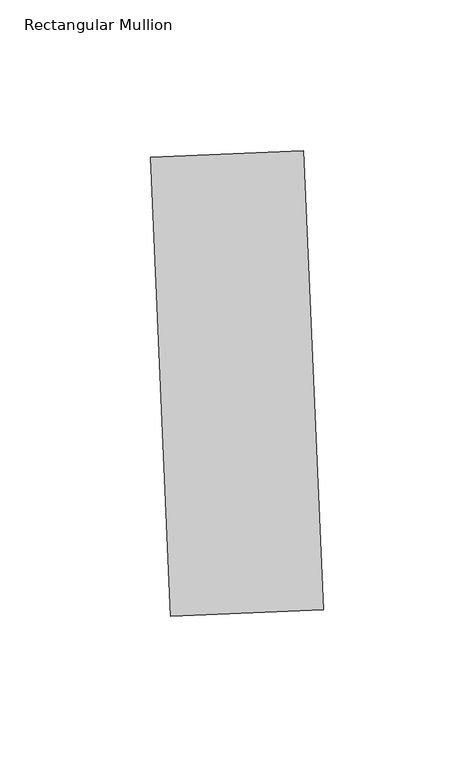
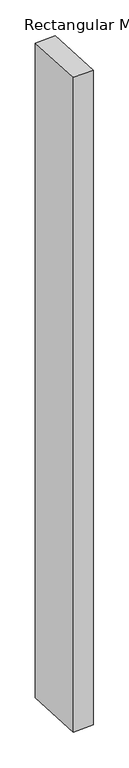
"""IFC4 building model written with IfcOpenShell, lengths in millimetres: member geometry, Rectangular Mullion."""

from ifc_helpers import new_model, si_unit, frame, origin, place, context, project, spatial, polyline, outline, extrude, source, transform, mapped, element, save


def rectangular_mullion_d6aa04e4(model_context):
    return source(origin(), model_context, "Body", "SweptSolid", [
        extrude(outline(polyline([(30.7769955, -122.5992136), (-19.9746542, -124.8150785), (-26.6222488, 27.4398705), (24.1294008, 29.6557354), (30.7769955, -122.5992136)])), frame((0.0, 0.0, -1720.85), z_axis=(0.0, 0.0, 1.0), x_axis=(1.0, 0.0, 0.0)), (0.0, 0.0, 1.0), 1720.85),
    ])


if __name__ == "__main__":
    model = new_model("IFC4")
    model_context = context("Model", 3, world=origin())
    ifc_project = project(units=[si_unit("LENGTHUNIT", "METRE", prefix="MILLI")], contexts=[model_context])
    site = spatial("IfcSite", under=ifc_project)
    building = spatial("IfcBuilding", under=site)
    placement = place(None, origin())
    rectangular_mullion_shape = rectangular_mullion_d6aa04e4(model_context)
    element("IfcMember", 1, ObjectType="Rectangular Mullion", at=placement, inside=building, context=model_context, shape_type="MappedRepresentation", body=[
        mapped(rectangular_mullion_shape, transform((0.0, 0.0, 0.0), x_axis=(1.0, 0.0, 0.0), y_axis=(0.0, 1.0, 0.0), z_axis=(0.0, 0.0, 1.0))),
    ])
    save(model, "model.ifc")
